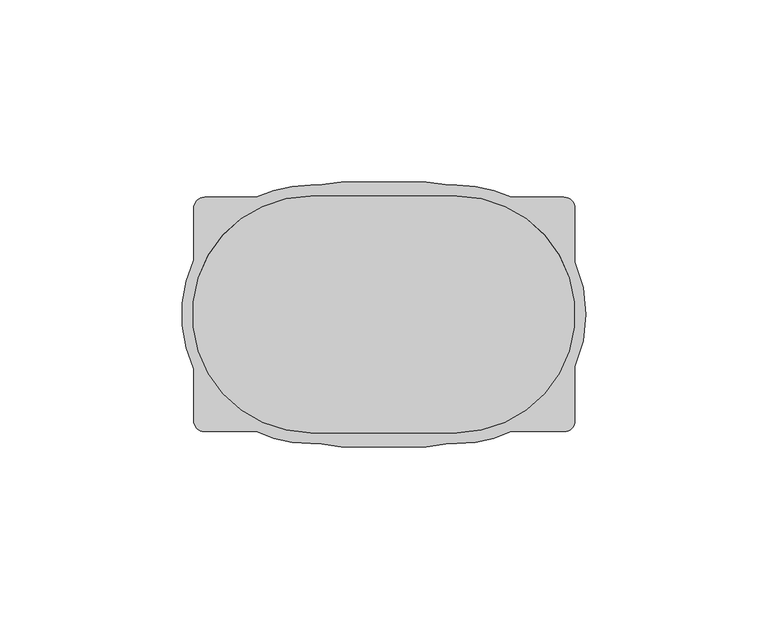
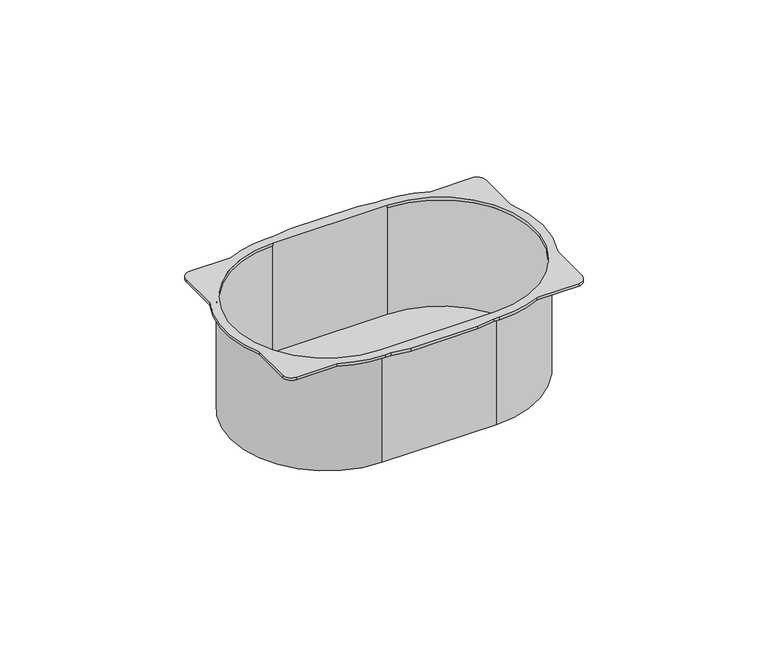
"""IFC4 building model written with IfcOpenShell, lengths in millimetres: proxy geometry."""

from ifc_helpers import new_model, si_unit, point, frame, frame_2d, origin, place, context, project, spatial, polyline, circle_curve, trimmed, segment, composite_curve, outline, extrude, source, transform, mapped, element, save
from ifc_brep_helpers import plane_surface, cylinder_surface, revolved_surface, advanced_brep


def electrical_fixtures_2c758053(model_context):
    return source(origin(), model_context, "Body", "SolidModel", [
        advanced_brep(
        [(-20.0, 33.5, -40.0), (20.0, 33.5, -40.0), (20.0, -33.5, -40.0), (-20.0, -33.5, -40.0), (-20.0, 32.5, -40.0), (-20.0, -32.5, -40.0), (20.0, -32.5, -40.0), (20.0, 32.5, -40.0), (52.4713136, -14.3479544, 1.0), (52.4713136, 14.3479544, 1.0), (52.4713136, 29.1875, 1.0), (49.4713136, 32.1875, 1.0), (34.9738053, 32.1875, 1.0), (20.0, 35.5, 1.0), (18.0169757, 35.5, 1.0), (11.6770276, 36.4, 1.0), (-11.6783104, 36.4, 1.0), (-18.0182585, 35.5, 1.0), (-20.0, 35.5, 1.0), (-34.9738053, 32.1875, 1.0), (-49.1875, 32.1875, 1.0), (-52.1875, 29.1875, 1.0), (-52.1875, 14.9738053, 1.0), (-52.1875, -14.9738053, 1.0), (-52.1875, -29.1875, 1.0), (-49.1875, -32.1875, 1.0), (-34.9738053, -32.1875, 1.0), (-20.0, -35.5, 1.0), (-18.0182585, -35.5, 1.0), (-11.6783104, -36.4, 1.0), (11.6770276, -36.4, 1.0), (18.0169757, -35.5, 1.0), (20.0, -35.5, 1.0), (34.9738053, -32.1875, 1.0), (49.4713136, -32.1875, 1.0), (52.4713136, -29.1875, 1.0), (20.0, 32.5, 1.0), (20.0, -32.5, 1.0), (-20.0, -32.5, 1.0), (-20.0, 32.5, 1.0), (52.4713136, -14.3479544, 0.0), (52.4713136, -29.1875, 0.0), (49.4713136, -32.1875, 0.0), (34.9738053, -32.1875, 0.0), (20.0, -35.5, 0.0), (18.0169757, -35.5, 0.0), (11.6770276, -36.4, 0.0), (-11.6783104, -36.4, 0.0), (-18.0182585, -35.5, 0.0), (-20.0, -35.5, 0.0), (-34.9738053, -32.1875, 0.0), (-49.1875, -32.1875, 0.0), (-52.1875, -29.1875, 0.0), (-52.1875, -14.9738053, 0.0), (-52.1875, 14.9738053, 0.0), (-52.1875, 29.1875, 0.0), (-49.1875, 32.1875, 0.0), (-34.9738053, 32.1875, 0.0), (-20.0, 35.5, 0.0), (-18.0182585, 35.5, 0.0), (-11.6783104, 36.4, 0.0), (11.6770276, 36.4, 0.0), (18.0169757, 35.5, 0.0), (20.0, 35.5, 0.0), (34.9738053, 32.1875, 0.0), (49.4713136, 32.1875, 0.0), (52.4713136, 29.1875, 0.0), (52.4713136, 14.3479544, 0.0), (-20.0, 33.5, 0.0), (-20.0, -33.5, 0.0), (20.0, -33.5, 0.0), (20.0, 33.5, 0.0), (20.0, 32.5, 0.0), (20.0, -32.5, 0.0), (-20.0, -32.5, 0.0), (-20.0, 32.5, 0.0)],
        [
            (0, 1),
            (1, 2, circle_curve(frame((20.0, 0.0, -40.0), z_axis=(0.0, 0.0, -1.0), x_axis=(1.0, 0.0, 0.0)), 33.5)),
            (2, 3),
            (3, 0, circle_curve(frame((-20.0, 0.0, -40.0), z_axis=(0.0, 0.0, -1.0), x_axis=(-1.0, 0.0, 0.0)), 33.5)),
            (4, 5, circle_curve(frame((-20.0, 0.0, -40.0), z_axis=(0.0, 0.0, 1.0), x_axis=(-1.0, 0.0, 0.0)), 32.5)),
            (5, 6),
            (6, 7, circle_curve(frame((20.0, 0.0, -40.0), z_axis=(0.0, 0.0, 1.0), x_axis=(1.0, 0.0, 0.0)), 32.5)),
            (7, 4),
            (8, 9, circle_curve(frame((20.0, 0.0, 1.0), z_axis=(0.0, 0.0, 1.0), x_axis=(1.0, 0.0, 0.0)), 35.5)),
            (9, 10),
            (10, 11, circle_curve(frame((49.4713136, 29.1875, 1.0), z_axis=(0.0, 0.0, 1.0), x_axis=(-1.0, 0.0, 0.0)), 3.0)),
            (11, 12),
            (12, 13, circle_curve(frame((20.0, 0.0, 1.0), z_axis=(0.0, 0.0, 1.0), x_axis=(1.0, 0.0, 0.0)), 35.5)),
            (13, 14),
            (14, 15),
            (15, 16),
            (16, 17),
            (17, 18),
            (18, 19, circle_curve(frame((-20.0, 0.0, 1.0), z_axis=(0.0, 0.0, 1.0), x_axis=(-1.0, 0.0, 0.0)), 35.5)),
            (19, 20),
            (20, 21, circle_curve(frame((-49.1875, 29.1875, 1.0), z_axis=(0.0, 0.0, 1.0), x_axis=(1.0, 0.0, 0.0)), 3.0)),
            (21, 22),
            (22, 23, circle_curve(frame((-20.0, 0.0, 1.0), z_axis=(0.0, 0.0, 1.0), x_axis=(-1.0, 0.0, 0.0)), 35.5)),
            (23, 24),
            (24, 25, circle_curve(frame((-49.1875, -29.1875, 1.0), z_axis=(0.0, 0.0, 1.0), x_axis=(1.0, 0.0, 0.0)), 3.0)),
            (25, 26),
            (26, 27, circle_curve(frame((-20.0, 0.0, 1.0), z_axis=(0.0, 0.0, 1.0), x_axis=(-1.0, 0.0, 0.0)), 35.5)),
            (27, 28),
            (28, 29),
            (29, 30),
            (30, 31),
            (31, 32),
            (32, 33, circle_curve(frame((20.0, 0.0, 1.0), z_axis=(0.0, 0.0, 1.0), x_axis=(1.0, 0.0, 0.0)), 35.5)),
            (33, 34),
            (34, 35, circle_curve(frame((49.4713136, -29.1875, 1.0), z_axis=(0.0, 0.0, 1.0), x_axis=(-1.0, 0.0, 0.0)), 3.0)),
            (35, 8),
            (36, 37, circle_curve(frame((20.0, 0.0, 1.0), z_axis=(0.0, 0.0, -1.0), x_axis=(1.0, 0.0, 0.0)), 32.5)),
            (37, 38),
            (38, 39, circle_curve(frame((-20.0, 0.0, 1.0), z_axis=(0.0, 0.0, -1.0), x_axis=(-1.0, 0.0, 0.0)), 32.5)),
            (39, 36),
            (40, 41),
            (41, 42, circle_curve(frame((49.4713136, -29.1875, 0.0), z_axis=(0.0, 0.0, -1.0), x_axis=(-1.0, 0.0, 0.0)), 3.0)),
            (42, 43),
            (43, 44, circle_curve(frame((20.0, 0.0, 0.0), z_axis=(0.0, 0.0, -1.0), x_axis=(1.0, 0.0, 0.0)), 35.5)),
            (44, 45),
            (45, 46),
            (46, 47),
            (47, 48),
            (48, 49),
            (49, 50, circle_curve(frame((-20.0, 0.0, 0.0), z_axis=(0.0, 0.0, -1.0), x_axis=(-1.0, 0.0, 0.0)), 35.5)),
            (50, 51),
            (51, 52, circle_curve(frame((-49.1875, -29.1875, 0.0), z_axis=(0.0, 0.0, -1.0), x_axis=(1.0, 0.0, 0.0)), 3.0)),
            (52, 53),
            (53, 54, circle_curve(frame((-20.0, 0.0, 0.0), z_axis=(0.0, 0.0, -1.0), x_axis=(-1.0, 0.0, 0.0)), 35.5)),
            (54, 55),
            (55, 56, circle_curve(frame((-49.1875, 29.1875, 0.0), z_axis=(0.0, 0.0, -1.0), x_axis=(1.0, 0.0, 0.0)), 3.0)),
            (56, 57),
            (57, 58, circle_curve(frame((-20.0, 0.0, 0.0), z_axis=(0.0, 0.0, -1.0), x_axis=(-1.0, 0.0, 0.0)), 35.5)),
            (58, 59),
            (59, 60),
            (60, 61),
            (61, 62),
            (62, 63),
            (63, 64, circle_curve(frame((20.0, 0.0, 0.0), z_axis=(0.0, 0.0, -1.0), x_axis=(1.0, 0.0, 0.0)), 35.5)),
            (64, 65),
            (65, 66, circle_curve(frame((49.4713136, 29.1875, 0.0), z_axis=(0.0, 0.0, -1.0), x_axis=(-1.0, 0.0, 0.0)), 3.0)),
            (66, 67),
            (67, 40, circle_curve(frame((20.0, 0.0, 0.0), z_axis=(0.0, 0.0, -1.0), x_axis=(1.0, 0.0, 0.0)), 35.5)),
            (68, 69, circle_curve(frame((-20.0, 0.0, 0.0), z_axis=(0.0, 0.0, 1.0), x_axis=(-1.0, 0.0, 0.0)), 33.5)),
            (69, 70),
            (70, 71, circle_curve(frame((20.0, 0.0, 0.0), z_axis=(0.0, 0.0, 1.0), x_axis=(1.0, 0.0, 0.0)), 33.5)),
            (71, 68),
            (35, 41),
            (40, 8),
            (10, 66),
            (65, 11),
            (64, 12),
            (33, 43),
            (42, 34),
            (9, 67),
            (63, 13),
            (32, 44),
            (62, 14),
            (18, 58),
            (57, 19),
            (56, 20),
            (55, 21),
            (54, 22),
            (53, 23),
            (52, 24),
            (51, 25),
            (50, 26),
            (49, 27),
            (31, 45),
            (36, 72),
            (72, 73, circle_curve(frame((20.0, 0.0, 0.0), z_axis=(0.0, 0.0, -1.0), x_axis=(1.0, 0.0, 0.0)), 32.5)),
            (73, 37),
            (38, 74),
            (74, 75, circle_curve(frame((-20.0, 0.0, 0.0), z_axis=(0.0, 0.0, -1.0), x_axis=(-1.0, 0.0, 0.0)), 32.5)),
            (75, 39),
            (3, 69),
            (68, 0),
            (2, 70),
            (1, 71),
            (7, 72),
            (75, 4),
            (6, 73),
            (5, 74),
            (61, 15),
            (60, 16),
            (59, 17),
            (48, 28),
            (47, 29),
            (46, 30),
        ],
        [
            plane_surface(frame((-53.5, 0.0, -40.0), z_axis=(0.0, 0.0, -1.0), x_axis=(0.0, 1.0, 0.0))),
            plane_surface(frame((55.5, 0.0, 1.0), z_axis=(0.0, 0.0, 1.0), x_axis=(0.0, 1.0, 0.0))),
            plane_surface(frame((55.5, 0.0, 0.0), z_axis=(0.0, 0.0, -1.0), x_axis=(0.0, -1.0, 0.0))),
            plane_surface(frame((52.4713136, -29.1875, 1.0), z_axis=(1.0, 0.0, 0.0), x_axis=(0.0, 0.0, -1.0))),
            cylinder_surface(frame((49.4713136, 29.1875, 0.0), z_axis=(0.0, 0.0, 1.0), x_axis=(-1.0, 0.0, 0.0)), 3.0),
            plane_surface(frame((49.4713136, 32.1875, 1.0), z_axis=(0.0, 1.0, 0.0), x_axis=(0.0, 0.0, -1.0))),
            plane_surface(frame((34.9738053, -32.1875, 1.0), z_axis=(0.0, -1.0, 0.0), x_axis=(0.0, 0.0, -1.0))),
            cylinder_surface(frame((49.4713136, -29.1875, 0.0), z_axis=(0.0, 0.0, 1.0), x_axis=(-1.0, 0.0, 0.0)), 3.0),
            plane_surface(frame((52.4713136, 14.3479544, 1.0), z_axis=(1.0, 0.0, 0.0), x_axis=(0.0, 0.0, -1.0))),
            cylinder_surface(frame((20.0, 0.0, 0.0), z_axis=(0.0, 0.0, 1.0), x_axis=(1.0, 0.0, 0.0)), 35.5),
            plane_surface(frame((20.0, 35.5, 1.0), z_axis=(0.0, 1.0, 0.0), x_axis=(0.0, 0.0, -1.0))),
            cylinder_surface(frame((-20.0, 0.0, 0.0), z_axis=(0.0, 0.0, 1.0), x_axis=(-1.0, 0.0, 0.0)), 35.5),
            plane_surface(frame((-34.9738053, 32.1875, 1.0), z_axis=(0.0, 1.0, 0.0), x_axis=(0.0, 0.0, -1.0))),
            cylinder_surface(frame((-49.1875, 29.1875, 0.0), z_axis=(0.0, 0.0, 1.0), x_axis=(1.0, 0.0, 0.0)), 3.0),
            plane_surface(frame((-52.1875, 29.1875, 1.0), z_axis=(-1.0, 0.0, 0.0), x_axis=(0.0, 0.0, -1.0))),
            plane_surface(frame((-52.1875, -14.9738053, 1.0), z_axis=(-1.0, 0.0, 0.0), x_axis=(0.0, 0.0, -1.0))),
            cylinder_surface(frame((-49.1875, -29.1875, 0.0), z_axis=(0.0, 0.0, 1.0), x_axis=(1.0, 0.0, 0.0)), 3.0),
            plane_surface(frame((-49.1875, -32.1875, 1.0), z_axis=(0.0, -1.0, 0.0), x_axis=(0.0, 0.0, -1.0))),
            plane_surface(frame((18.0169757, -35.5, 1.0), z_axis=(0.0, -1.0, 0.0), x_axis=(0.0, 0.0, -1.0))),
            revolved_surface(polyline([(52.5, 0.0, 0.0), (52.5, 0.0, 1.0)]), (20.0, 0.0, 0.0), (0.0, 0.0, -1.0)),
            revolved_surface(polyline([(-52.5, 0.0, 0.0), (-52.5, 0.0, 1.0)]), (-20.0, 0.0, 0.0), (0.0, 0.0, -1.0)),
            cylinder_surface(frame((-20.0, 0.0, -40.0), z_axis=(0.0, 0.0, 1.0), x_axis=(-1.0, 0.0, 0.0)), 33.5),
            plane_surface(frame((-20.0, -33.5, 0.0), z_axis=(0.0, -1.0, 0.0), x_axis=(0.0, 0.0, -1.0))),
            cylinder_surface(frame((20.0, 0.0, -40.0), z_axis=(0.0, 0.0, 1.0), x_axis=(1.0, 0.0, 0.0)), 33.5),
            plane_surface(frame((20.0, 33.5, 0.0), z_axis=(0.0, 1.0, 0.0), x_axis=(0.0, 0.0, -1.0))),
            plane_surface(frame((-20.0, 32.5, 0.0), z_axis=(0.0, -1.0, 0.0), x_axis=(0.0, 0.0, -1.0))),
            revolved_surface(polyline([(52.5, 0.0, -40.0), (52.5, 0.0, 0.0)]), (20.0, 0.0, 0.0), (0.0, 0.0, -1.0)),
            plane_surface(frame((20.0, -32.5, 0.0), z_axis=(0.0, 1.0, 0.0), x_axis=(0.0, 0.0, -1.0))),
            revolved_surface(polyline([(-52.5, 0.0, -40.0), (-52.5, 0.0, 0.0)]), (-20.0, 0.0, 0.0), (0.0, 0.0, -1.0)),
            plane_surface(frame((18.0169757, 35.5, 1.0), z_axis=(0.14054791471914763, 0.990073877883918, 0.0), x_axis=(0.0, 0.0, -1.0))),
            plane_surface(frame((11.6770276, 36.4, 1.0), z_axis=(0.0, 1.0, 0.0), x_axis=(0.0, 0.0, -1.0))),
            plane_surface(frame((-11.6783104, 36.4, 1.0), z_axis=(-0.14054791471914796, 0.9900738778839179, 0.0), x_axis=(0.0, 0.0, -1.0))),
            plane_surface(frame((-18.0182585, 35.5, 1.0), z_axis=(0.0, 1.0, 0.0), x_axis=(0.0, 0.0, -1.0))),
            plane_surface(frame((-20.0, -35.5, 1.0), z_axis=(0.0, -1.0, 0.0), x_axis=(0.0, 0.0, -1.0))),
            plane_surface(frame((-18.0182585, -35.5, 1.0), z_axis=(-0.14054791471914813, -0.9900738778839179, 0.0), x_axis=(0.0, 0.0, -1.0))),
            plane_surface(frame((-11.6783104, -36.4, 1.0), z_axis=(0.0, -1.0, 0.0), x_axis=(0.0, 0.0, -1.0))),
            plane_surface(frame((11.6770276, -36.4, 1.0), z_axis=(0.14054791471914785, -0.990073877883918, 0.0), x_axis=(0.0, 0.0, -1.0))),
        ],
        [
            (0, [[1, 2, 3, 4], [5, 6, 7, 8]]),
            (1, [[9, 10, 11, 12, 13, 14, 15, 16, 17, 18, 19, 20, 21, 22, 23, 24, 25, 26, 27, 28, 29, 30, 31, 32, 33, 34, 35, 36], [37, 38, 39, 40]]),
            (2, [[41, 42, 43, 44, 45, 46, 47, 48, 49, 50, 51, 52, 53, 54, 55, 56, 57, 58, 59, 60, 61, 62, 63, 64, 65, 66, 67, 68], [69, 70, 71, 72]]),
            (3, [[-36, 73, -41, 74]]),
            (4, [[-11, 75, -66, 76]]),
            (5, [[-12, -76, -65, 77]]),
            (6, [[-34, 78, -43, 79]]),
            (7, [[-35, -79, -42, -73]]),
            (8, [[-10, 80, -67, -75]]),
            (9, [[-9, -74, -68, -80]]),
            (9, [[-13, -77, -64, 81]]),
            (9, [[-33, 82, -44, -78]]),
            (10, [[-14, -81, -63, 83]]),
            (11, [[-19, 84, -58, 85]]),
            (12, [[-20, -85, -57, 86]]),
            (13, [[-21, -86, -56, 87]]),
            (14, [[-22, -87, -55, 88]]),
            (11, [[-23, -88, -54, 89]]),
            (15, [[-24, -89, -53, 90]]),
            (16, [[-25, -90, -52, 91]]),
            (17, [[-26, -91, -51, 92]]),
            (11, [[-27, -92, -50, 93]]),
            (18, [[-32, 94, -45, -82]]),
            (19, [[-37, 95, 96, 97]]),
            (20, [[-39, 98, 99, 100]]),
            (21, [[-4, 101, -69, 102]]),
            (22, [[-3, 103, -70, -101]]),
            (23, [[-2, 104, -71, -103]]),
            (24, [[-1, -102, -72, -104]]),
            (25, [[-8, 105, -95, -40, -100, 106]]),
            (26, [[-7, 107, -96, -105]]),
            (27, [[-6, 108, -98, -38, -97, -107]]),
            (28, [[-5, -106, -99, -108]]),
            (29, [[-15, -83, -62, 109]]),
            (30, [[-16, -109, -61, 110]]),
            (31, [[-17, -110, -60, 111]]),
            (32, [[-18, -111, -59, -84]]),
            (33, [[-28, -93, -49, 112]]),
            (34, [[-29, -112, -48, 113]]),
            (35, [[-30, -113, -47, 114]]),
            (36, [[-31, -114, -46, -94]]),
        ],
    ),
        extrude(outline(composite_curve([segment(polyline([(-20.0, 32.5), (20.0, 32.5)]), True, "CONTINUOUS"), segment(trimmed(circle_curve(frame_2d((20.0, 0.0)), 32.5), [point((20.0, 32.5))], [point((20.0, -32.5))], False, "CARTESIAN"), True, "CONTINUOUS"), segment(polyline([(20.0, -32.5), (-20.0, -32.5)]), True, "CONTINUOUS"), segment(trimmed(circle_curve(frame_2d((-20.0, 0.0)), 32.5), [point((-20.0, -32.5))], [point((-20.0, 32.5))], False, "CARTESIAN"), True, "CONTINUOUS")], self_intersect=False)), frame((0.0, 0.0, -40.0), z_axis=(0.0, 0.0, 1.0), x_axis=(1.0, 0.0, 0.0)), (0.0, 0.0, 1.0), 1.0),
    ])


if __name__ == "__main__":
    model = new_model("IFC4")
    model_context = context("Model", 3, world=origin())
    ifc_project = project(units=[si_unit("LENGTHUNIT", "METRE", prefix="MILLI")], contexts=[model_context])
    site = spatial("IfcSite", under=ifc_project)
    building = spatial("IfcBuilding", under=site)
    placement = place(None, origin())
    electrical_fixtures_shape = electrical_fixtures_2c758053(model_context)
    element("IfcBuildingElementProxy", 1, Name="Electrical Fixtures", at=placement, inside=building, context=model_context, shape_type="MappedRepresentation", body=[
        mapped(electrical_fixtures_shape, transform((0.0, 0.0, 0.0), x_axis=(1.0, 0.0, 0.0), y_axis=(0.0, 1.0, 0.0), z_axis=(0.0, 0.0, 1.0))),
    ])
    save(model, "model.ifc")
